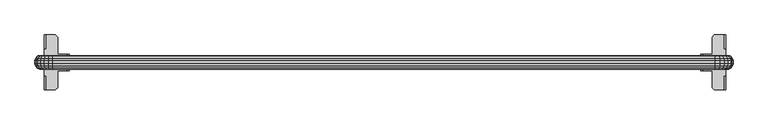
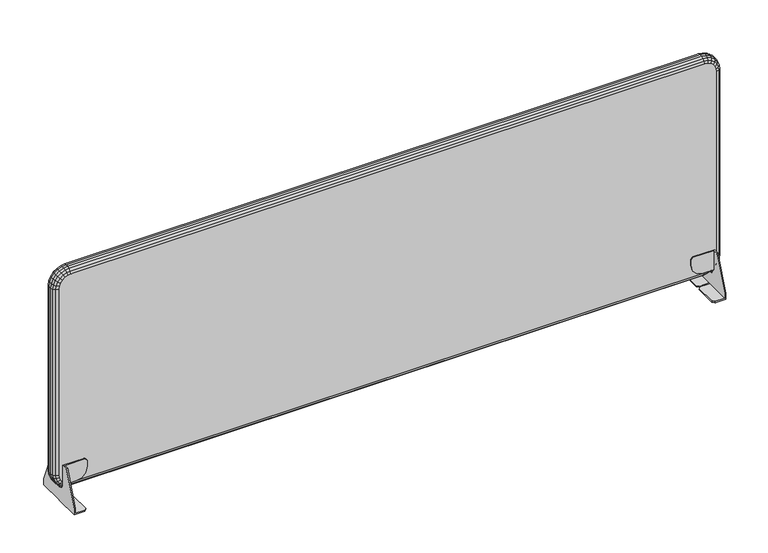
"""IFC4 building model written with IfcOpenShell, lengths in millimetres: furniture geometry."""

from ifc_helpers import new_model, si_unit, origin, place, context, project, spatial, triangles, source, transform, mapped, element, save


def furniture_25cc3b98(model_context):
    return source(origin(), model_context, "Body", "Tessellation", [
        triangles([(2309.343133, 2306.6081841, 625.0000048), (2309.343133, 2306.6081841, 575.0000044), (2309.343133, 2320.608129, 625.0000048), (2309.343133, 2352.608138, 544.9999824), (2309.343133, 2305.1341462, 569.5000131), (2309.343133, 2352.608138, 529.9999895), (2309.343133, 2292.6081666, 529.9999895), (2309.343133, 2301.1081565, 565.473987), (2309.343133, 2295.6081288, 563.9999854), (2309.343133, 2292.6081666, 563.9999854), (2306.3431707, 2306.6081841, 575.0000044), (2306.3431707, 2305.1341462, 569.5000131), (2306.3431707, 2301.1081565, 565.473987), (2306.3431707, 2292.6442109, 563.9999854), (2306.3431707, 2292.6081666, 532.9999881), (2284.3431328, 2292.6081666, 529.9999895), (2284.3431328, 2292.6081666, 532.9999881), (2306.3431707, 2306.6081841, 578.000003), (2280.3431589, 2306.6081841, 578.000003), (2266.8431835, 2306.6081841, 581.617006), (2256.9601385, 2306.6081841, 591.5000147), (2253.3431354, 2306.6081841, 604.9999901), (2258.3431936, 2306.6081841, 625.0000048), (2253.3431354, 2306.6081841, 620.0000193), (2306.3431707, 2309.6081464, 625.0000048), (2306.3431707, 2320.608129, 625.0000048), (2306.3431707, 2309.6081464, 578.000003), (2306.3431707, 2352.608138, 544.9999824), (2306.3431707, 2352.608138, 532.9999881), (2280.3431589, 2309.6081464, 578.000003), (2266.8431835, 2309.6081464, 581.617006), (2256.9601385, 2309.6081464, 591.5000147), (2253.3431354, 2309.6081464, 604.9999901), (2258.3431936, 2309.6081464, 625.0000048), (2253.3431354, 2309.6081464, 620.0000193), (2284.3431328, 2352.608138, 529.9999895), (2284.3431328, 2352.608138, 532.9999881), (2279.3431473, 2347.6081525, 529.9999895), (2279.3431473, 2297.6081521, 529.9999895), (2279.3431473, 2297.6081521, 532.9999881), (2279.3431473, 2347.6081525, 532.9999881), (2309.343133, 2261.6081692, 625.0000048), (2309.343133, 2275.6081868, 575.0000044), (2309.343133, 2275.6081868, 625.0000048), (2309.343133, 2229.6080876, 544.9999824), (2309.343133, 2277.0820794, 569.5000131), (2309.343133, 2229.6080876, 529.9999895), (2309.343133, 2289.6082043, 529.9999895), (2309.343133, 2281.1081418, 565.473987), (2309.343133, 2286.6080968, 563.9999854), (2309.343133, 2289.6082043, 563.9999854), (2306.3431707, 2275.6081868, 575.0000044), (2306.3431707, 2277.0820794, 569.5000131), (2306.3431707, 2281.1081418, 565.473987), (2306.3431707, 2289.57216, 563.9999854), (2306.3431707, 2289.6082043, 532.9999881), (2284.3431328, 2289.6082043, 529.9999895), (2284.3431328, 2289.6082043, 532.9999881), (2306.3431707, 2275.6081868, 578.000003), (2280.3431589, 2275.6081868, 578.000003), (2266.8431835, 2275.6081868, 581.617006), (2256.9601385, 2275.6081868, 591.5000147), (2253.3431354, 2275.6081868, 604.9999901), (2258.3431936, 2275.6081868, 625.0000048), (2253.3431354, 2275.6081868, 620.0000193), (2306.3431707, 2272.6082246, 578.000003), (2306.3431707, 2261.6081692, 625.0000048), (2306.3431707, 2272.6082246, 625.0000048), (2306.3431707, 2229.6080876, 544.9999824), (2306.3431707, 2229.6080876, 532.9999881), (2280.3431589, 2272.6082246, 578.000003), (2266.8431835, 2272.6082246, 581.617006), (2256.9601385, 2272.6082246, 591.5000147), (2253.3431354, 2272.6082246, 604.9999901), (2258.3431936, 2272.6082246, 625.0000048), (2253.3431354, 2272.6082246, 620.0000193), (2284.3431328, 2229.6080876, 529.9999895), (2284.3431328, 2229.6080876, 532.9999881), (2279.3431473, 2234.6082185, 529.9999895), (2279.3431473, 2284.6082188, 529.9999895), (2279.3431473, 2284.6082188, 532.9999881), (2279.3431473, 2234.6082185, 532.9999881), (782.3431707, 2320.608129, 625.0000048), (782.3431707, 2306.6081841, 575.0000044), (782.3431707, 2306.6081841, 625.0000048), (782.3431707, 2352.608138, 544.9999824), (782.3431707, 2305.1341462, 569.5000131), (782.3431707, 2352.608138, 529.9999895), (782.3431707, 2292.6081666, 529.9999895), (782.3431707, 2301.1081565, 565.473987), (782.3431707, 2295.6081288, 563.9999854), (782.3431707, 2292.6081666, 563.9999854), (785.343133, 2306.6081841, 575.0000044), (785.343133, 2305.1341462, 569.5000131), (785.343133, 2301.1081565, 565.473987), (785.343133, 2292.6442109, 563.9999854), (785.343133, 2292.6081666, 532.9999881), (807.3431709, 2292.6081666, 529.9999895), (807.3431709, 2292.6081666, 532.9999881), (785.343133, 2306.6081841, 578.000003), (811.3431448, 2306.6081841, 578.000003), (824.8431928, 2306.6081841, 581.617006), (834.7261652, 2306.6081841, 591.5000147), (838.3431682, 2306.6081841, 604.9999901), (833.3431827, 2306.6081841, 625.0000048), (838.3431682, 2306.6081841, 620.0000193), (785.343133, 2309.6081464, 578.000003), (785.343133, 2320.608129, 625.0000048), (785.343133, 2309.6081464, 625.0000048), (785.343133, 2352.608138, 544.9999824), (785.343133, 2352.608138, 532.9999881), (811.3431448, 2309.6081464, 578.000003), (824.8431928, 2309.6081464, 581.617006), (834.7261652, 2309.6081464, 591.5000147), (838.3431682, 2309.6081464, 604.9999901), (833.3431827, 2309.6081464, 625.0000048), (838.3431682, 2309.6081464, 620.0000193), (807.3431709, 2352.608138, 529.9999895), (807.3431709, 2352.608138, 532.9999881), (812.3431564, 2347.6081525, 529.9999895), (812.3431564, 2297.6081521, 529.9999895), (812.3431564, 2297.6081521, 532.9999881), (812.3431564, 2347.6081525, 532.9999881), (782.3431707, 2275.6081868, 625.0000048), (782.3431707, 2275.6081868, 575.0000044), (782.3431707, 2261.6081692, 625.0000048), (782.3431707, 2229.6080876, 544.9999824), (782.3431707, 2277.0820794, 569.5000131), (782.3431707, 2229.6080876, 529.9999895), (782.3431707, 2289.6082043, 529.9999895), (782.3431707, 2281.1081418, 565.473987), (782.3431707, 2286.6080968, 563.9999854), (782.3431707, 2289.6082043, 563.9999854), (785.343133, 2275.6081868, 575.0000044), (785.343133, 2277.0820794, 569.5000131), (785.343133, 2281.1081418, 565.473987), (785.343133, 2286.6080968, 563.9999854), (785.343133, 2289.6082043, 563.9999854), (785.343133, 2289.6082043, 532.9999881), (807.3431709, 2289.6082043, 529.9999895), (807.3431709, 2289.6082043, 532.9999881), (785.343133, 2275.6081868, 578.000003), (811.3431448, 2275.6081868, 578.000003), (824.8431928, 2275.6081868, 581.617006), (834.7261652, 2275.6081868, 591.5000147), (838.3431682, 2275.6081868, 604.9999901), (833.3431827, 2275.6081868, 625.0000048), (838.3431682, 2275.6081868, 620.0000193), (785.343133, 2272.6082246, 625.0000048), (785.343133, 2261.6081692, 625.0000048), (785.343133, 2272.6082246, 578.000003), (785.343133, 2229.6080876, 544.9999824), (785.343133, 2229.6080876, 532.9999881), (811.3431448, 2272.6082246, 578.000003), (824.8431928, 2272.6082246, 581.617006), (834.7261652, 2272.6082246, 591.5000147), (838.3431682, 2272.6082246, 604.9999901), (833.3431827, 2272.6082246, 625.0000048), (838.3431682, 2272.6082246, 620.0000193), (807.3431709, 2229.6080876, 529.9999895), (807.3431709, 2229.6080876, 532.9999881), (812.3431564, 2234.6082185, 529.9999895), (812.3431564, 2284.6082188, 529.9999895), (812.3431564, 2284.6082188, 532.9999881), (812.3431564, 2234.6082185, 532.9999881)], [[1, 2, 3], [3, 2, 4], [4, 2, 5], [6, 4, 5], [6, 5, 7], [7, 5, 8], [7, 8, 9], [9, 10, 7], [2, 11, 5], [5, 11, 12], [5, 12, 8], [8, 12, 13], [8, 13, 9], [14, 9, 13], [10, 9, 14], [14, 15, 10], [10, 15, 7], [7, 15, 16], [16, 15, 17], [11, 2, 18], [1, 18, 2], [19, 18, 1], [20, 19, 1], [20, 1, 21], [21, 1, 22], [22, 1, 23], [22, 23, 24], [25, 26, 27], [28, 27, 26], [27, 28, 12], [12, 28, 29], [12, 29, 15], [15, 14, 13], [15, 13, 12], [12, 11, 27], [27, 11, 18], [27, 30, 25], [25, 30, 31], [25, 31, 32], [32, 33, 25], [25, 33, 34], [34, 33, 35], [28, 4, 29], [6, 29, 4], [36, 29, 6], [36, 37, 29], [6, 7, 36], [36, 7, 16], [36, 16, 38], [38, 16, 39], [15, 29, 17], [17, 29, 37], [17, 37, 40], [40, 37, 41], [34, 35, 23], [23, 35, 24], [35, 33, 24], [24, 33, 22], [34, 23, 25], [1, 25, 23], [3, 25, 1], [3, 26, 25], [16, 17, 39], [39, 17, 40], [40, 41, 39], [39, 41, 38], [38, 41, 36], [36, 41, 37], [3, 4, 26], [26, 4, 28], [18, 19, 27], [27, 19, 30], [22, 33, 21], [21, 33, 32], [21, 32, 20], [20, 32, 31], [20, 31, 19], [19, 31, 30], [42, 43, 44], [45, 43, 42], [45, 46, 43], [47, 46, 45], [48, 46, 47], [48, 49, 46], [48, 50, 49], [48, 51, 50], [46, 52, 43], [53, 52, 46], [49, 53, 46], [54, 53, 49], [50, 54, 49], [55, 54, 50], [55, 50, 51], [51, 56, 55], [48, 56, 51], [57, 56, 48], [58, 56, 57], [59, 43, 52], [44, 43, 59], [60, 44, 59], [61, 44, 60], [62, 44, 61], [62, 63, 44], [63, 64, 44], [63, 65, 64], [66, 67, 68], [69, 67, 66], [53, 69, 66], [70, 69, 53], [56, 70, 53], [54, 55, 56], [53, 54, 56], [66, 52, 53], [59, 52, 66], [68, 71, 66], [72, 71, 68], [73, 72, 68], [68, 74, 73], [68, 75, 74], [75, 76, 74], [70, 45, 69], [47, 45, 70], [77, 47, 70], [70, 78, 77], [77, 48, 47], [57, 48, 77], [77, 79, 57], [79, 80, 57], [58, 70, 56], [78, 70, 58], [58, 81, 78], [81, 82, 78], [64, 76, 75], [65, 76, 64], [65, 74, 76], [63, 74, 65], [68, 64, 75], [44, 64, 68], [42, 44, 68], [68, 67, 42], [80, 58, 57], [81, 58, 80], [80, 82, 81], [79, 82, 80], [77, 82, 79], [78, 82, 77], [67, 45, 42], [69, 45, 67], [66, 60, 59], [71, 60, 66], [62, 74, 63], [73, 74, 62], [61, 73, 62], [72, 73, 61], [60, 72, 61], [71, 72, 60], [83, 84, 85], [86, 84, 83], [86, 87, 84], [88, 87, 86], [89, 87, 88], [89, 90, 87], [89, 91, 90], [89, 92, 91], [87, 93, 84], [94, 93, 87], [90, 94, 87], [95, 94, 90], [91, 95, 90], [96, 95, 91], [96, 91, 92], [92, 97, 96], [89, 97, 92], [98, 97, 89], [99, 97, 98], [100, 84, 93], [85, 84, 100], [101, 85, 100], [102, 85, 101], [103, 85, 102], [103, 104, 85], [104, 105, 85], [104, 106, 105], [107, 108, 109], [110, 108, 107], [94, 110, 107], [111, 110, 94], [97, 111, 94], [95, 96, 97], [94, 95, 97], [107, 93, 94], [100, 93, 107], [109, 112, 107], [113, 112, 109], [114, 113, 109], [109, 115, 114], [109, 116, 115], [116, 117, 115], [111, 86, 110], [88, 86, 111], [118, 88, 111], [111, 119, 118], [118, 89, 88], [98, 89, 118], [118, 120, 98], [120, 121, 98], [99, 111, 97], [119, 111, 99], [99, 122, 119], [122, 123, 119], [105, 117, 116], [106, 117, 105], [106, 115, 117], [104, 115, 106], [109, 105, 116], [85, 105, 109], [83, 85, 109], [109, 108, 83], [121, 99, 98], [122, 99, 121], [121, 123, 122], [120, 123, 121], [118, 123, 120], [119, 123, 118], [108, 86, 83], [110, 86, 108], [107, 101, 100], [112, 101, 107], [103, 115, 104], [114, 115, 103], [102, 114, 103], [113, 114, 102], [101, 113, 102], [112, 113, 101], [124, 125, 126], [126, 125, 127], [127, 125, 128], [129, 127, 128], [129, 128, 130], [130, 128, 131], [130, 131, 132], [132, 133, 130], [125, 134, 128], [128, 134, 135], [128, 135, 131], [131, 135, 136], [131, 136, 132], [132, 136, 137], [133, 132, 138], [138, 132, 137], [138, 139, 133], [133, 139, 130], [130, 139, 140], [140, 139, 141], [134, 125, 142], [124, 142, 125], [143, 142, 124], [144, 143, 124], [144, 124, 145], [145, 124, 146], [146, 124, 147], [146, 147, 148], [149, 150, 151], [152, 151, 150], [151, 152, 135], [135, 152, 153], [135, 153, 139], [138, 137, 139], [139, 137, 136], [139, 136, 135], [135, 134, 151], [151, 134, 142], [151, 154, 149], [149, 154, 155], [149, 155, 156], [156, 157, 149], [149, 157, 158], [158, 157, 159], [152, 127, 153], [129, 153, 127], [160, 153, 129], [160, 161, 153], [129, 130, 160], [160, 130, 140], [160, 140, 162], [162, 140, 163], [139, 153, 141], [141, 153, 161], [141, 161, 164], [164, 161, 165], [158, 159, 147], [147, 159, 148], [159, 157, 148], [148, 157, 146], [158, 147, 149], [124, 149, 147], [126, 149, 124], [126, 150, 149], [140, 141, 163], [163, 141, 164], [164, 165, 163], [163, 165, 162], [162, 165, 160], [160, 165, 161], [126, 127, 150], [150, 127, 152], [142, 143, 151], [151, 143, 154], [146, 157, 145], [145, 157, 156], [145, 156, 144], [144, 156, 155], [144, 155, 143], [143, 155, 154]]),
        triangles([(2320.593173, 2304.567175, 604.0000148), (2324.8021457, 2300.3581296, 604.0000148), (2319.4261658, 2304.567175, 595.1350036), (2323.492124, 2300.3581296, 594.0460075), (2316.0041363, 2304.567175, 586.8750063), (2319.6501346, 2300.3581296, 584.7700112), (2310.5611545, 2304.567175, 579.7820163), (2313.5381531, 2300.3581296, 576.8050178), (2303.4681282, 2304.567175, 574.3389982), (2305.5731596, 2300.3581296, 570.6929998), (2295.2081672, 2304.567175, 570.9170051), (2296.2971269, 2300.3581296, 566.8510105), (2286.343156, 2304.567175, 569.7499978), (2286.343156, 2300.3581296, 565.5409887), (2314.8431606, 2306.108142, 604.0000148), (2313.8721443, 2306.108142, 596.6240115), (2311.0251524, 2306.108142, 589.7500125), (2306.496141, 2306.108142, 583.8469934), (2300.5931583, 2306.108142, 579.3179821), (2293.7191593, 2306.108142, 576.4709902), (2286.343156, 2306.108142, 575.5000102), (2320.593173, 2277.6491959, 604.0000148), (2314.8431606, 2276.1081563, 604.0000148), (2319.4261658, 2277.6491959, 595.1350036), (2313.8721443, 2276.1081563, 596.6240115), (2316.0041363, 2277.6491959, 586.8750063), (2311.0251524, 2276.1081563, 589.7500125), (2310.5611545, 2277.6491959, 579.7820163), (2306.496141, 2276.1081563, 583.8469934), (2303.4681282, 2277.6491959, 574.3389982), (2300.5931583, 2276.1081563, 579.3179821), (2295.2081672, 2277.6491959, 570.9170051), (2293.7191593, 2276.1081563, 576.4709902), (2286.343156, 2277.6491959, 569.7499978), (2286.343156, 2276.1081563, 575.5000102), (2324.8021457, 2281.858096, 604.0000148), (2323.492124, 2281.858096, 594.0460075), (2319.6501346, 2281.858096, 584.7700112), (2313.5381531, 2281.858096, 576.8050178), (2305.5731596, 2281.858096, 570.6929998), (2296.2971269, 2281.858096, 566.8510105), (2286.343156, 2281.858096, 565.5409887), (2326.3431854, 2287.6081811, 604.0000148), (2324.9801872, 2287.6081811, 593.647013), (2320.9841375, 2287.6081811, 584.0000001), (2314.6271854, 2287.6081811, 575.7159854), (2306.3431707, 2287.6081811, 569.358997), (2296.6961578, 2287.6081811, 565.3629836), (2286.343156, 2287.6081811, 563.9999854), (2326.3431854, 2294.6081898, 604.0000148), (2324.9801872, 2294.6081898, 593.647013), (2320.9841375, 2294.6081898, 584.0000001), (2314.6271854, 2294.6081898, 575.7159854), (2306.3431707, 2294.6081898, 569.358997), (2296.6961578, 2294.6081898, 565.3629836), (2286.343156, 2294.6081898, 563.9999854), (2320.593173, 2304.567175, 1064.0000256), (2324.8021457, 2300.3581296, 1064.0000256), (2314.8431606, 2306.108142, 1064.0000256), (2320.593173, 2277.6491959, 1064.0000256), (2314.8431606, 2276.1081563, 1064.0000256), (2324.8021457, 2281.858096, 1064.0000256), (2326.3431854, 2287.6081811, 1064.0000256), (2326.3431854, 2294.6081898, 1064.0000256), (2286.343156, 2304.567175, 1098.2499699), (2286.343156, 2300.3581296, 1102.4590153), (2295.2081672, 2304.567175, 1097.0830353), (2296.2971269, 2300.3581296, 1101.1489935), (2303.4681282, 2304.567175, 1093.6610058), (2305.5731596, 2300.3581296, 1097.3070042), (2310.5611545, 2304.567175, 1088.2180241), (2313.5381531, 2300.3581296, 1091.1950226), (2316.0041363, 2304.567175, 1081.1249977), (2319.6501346, 2300.3581296, 1083.2300291), (2319.4261658, 2304.567175, 1072.8649641), (2323.492124, 2300.3581296, 1073.9539965), (2286.343156, 2306.108142, 1092.5000301), (2293.7191593, 2306.108142, 1091.5290138), (2300.5931583, 2306.108142, 1088.6820219), (2306.496141, 2306.108142, 1084.1530106), (2311.0251524, 2306.108142, 1078.2500278), (2313.8721443, 2306.108142, 1071.3760288), (2286.343156, 2277.6491959, 1098.2499699), (2286.343156, 2276.1081563, 1092.5000301), (2295.2081672, 2277.6491959, 1097.0830353), (2293.7191593, 2276.1081563, 1091.5290138), (2303.4681282, 2277.6491959, 1093.6610058), (2300.5931583, 2276.1081563, 1088.6820219), (2310.5611545, 2277.6491959, 1088.2180241), (2306.496141, 2276.1081563, 1084.1530106), (2316.0041363, 2277.6491959, 1081.1249977), (2311.0251524, 2276.1081563, 1078.2500278), (2319.4261658, 2277.6491959, 1072.8649641), (2313.8721443, 2276.1081563, 1071.3760288), (2286.343156, 2281.858096, 1102.4590153), (2296.2971269, 2281.858096, 1101.1489935), (2305.5731596, 2281.858096, 1097.3070042), (2313.5381531, 2281.858096, 1091.1950226), (2319.6501346, 2281.858096, 1083.2300291), (2323.492124, 2281.858096, 1073.9539965), (2286.343156, 2287.6081811, 1103.9999823), (2296.6961578, 2287.6081811, 1102.6369841), (2306.3431707, 2287.6081811, 1098.641007), (2314.6271854, 2287.6081811, 1092.2839823), (2320.9841375, 2287.6081811, 1083.9999676), (2324.9801872, 2287.6081811, 1074.3530273), (2286.343156, 2294.6081898, 1103.9999823), (2296.6961578, 2294.6081898, 1102.6369841), (2306.3431707, 2294.6081898, 1098.641007), (2314.6271854, 2294.6081898, 1092.2839823), (2320.9841375, 2294.6081898, 1083.9999676), (2324.9801872, 2294.6081898, 1074.3530273), (801.3431738, 2304.567175, 1098.2499699), (801.3431738, 2300.3581296, 1102.4590153), (801.3431738, 2306.108142, 1092.5000301), (801.3431738, 2277.6491959, 1098.2499699), (801.3431738, 2276.1081563, 1092.5000301), (801.3431738, 2281.858096, 1102.4590153), (801.3431738, 2287.6081811, 1103.9999823), (801.3431738, 2294.6081898, 1103.9999823), (767.0931568, 2304.567175, 1064.0000256), (762.8841841, 2300.3581296, 1064.0000256), (768.2601641, 2304.567175, 1072.8649641), (764.1941332, 2300.3581296, 1073.9539965), (771.6821935, 2304.567175, 1081.1249977), (768.0361225, 2300.3581296, 1083.2300291), (777.1251753, 2304.567175, 1088.2180241), (774.1481767, 2300.3581296, 1091.1950226), (784.2181289, 2304.567175, 1093.6610058), (782.1131702, 2300.3581296, 1097.3070042), (792.4781626, 2304.567175, 1097.0830353), (791.3891302, 2300.3581296, 1101.1489935), (772.8431692, 2306.108142, 1064.0000256), (773.8141855, 2306.108142, 1071.3760288), (776.6611774, 2306.108142, 1078.2500278), (781.1901888, 2306.108142, 1084.1530106), (787.0931715, 2306.108142, 1088.6820219), (793.9671705, 2306.108142, 1091.5290138), (767.0931568, 2277.6491959, 1064.0000256), (772.8431692, 2276.1081563, 1064.0000256), (768.2601641, 2277.6491959, 1072.8649641), (773.8141855, 2276.1081563, 1071.3760288), (771.6821935, 2277.6491959, 1081.1249977), (776.6611774, 2276.1081563, 1078.2500278), (777.1251753, 2277.6491959, 1088.2180241), (781.1901888, 2276.1081563, 1084.1530106), (784.2181289, 2277.6491959, 1093.6610058), (787.0931715, 2276.1081563, 1088.6820219), (792.4781626, 2277.6491959, 1097.0830353), (793.9671705, 2276.1081563, 1091.5290138), (762.8841841, 2281.858096, 1064.0000256), (764.1941332, 2281.858096, 1073.9539965), (768.0361225, 2281.858096, 1083.2300291), (774.1481767, 2281.858096, 1091.1950226), (782.1131702, 2281.858096, 1097.3070042), (791.3891302, 2281.858096, 1101.1489935), (761.3431444, 2287.6081811, 1064.0000256), (762.7061426, 2287.6081811, 1074.3530273), (766.7021923, 2287.6081811, 1083.9999676), (773.0591444, 2287.6081811, 1092.2839823), (781.3431591, 2287.6081811, 1098.641007), (790.990172, 2287.6081811, 1102.6369841), (761.3431444, 2294.6081898, 1064.0000256), (762.7061426, 2294.6081898, 1074.3530273), (766.7021923, 2294.6081898, 1083.9999676), (773.0591444, 2294.6081898, 1092.2839823), (781.3431591, 2294.6081898, 1098.641007), (790.990172, 2294.6081898, 1102.6369841), (767.0931568, 2304.567175, 604.0000148), (762.8841841, 2300.3581296, 604.0000148), (772.8431692, 2306.108142, 604.0000148), (767.0931568, 2277.6491959, 604.0000148), (772.8431692, 2276.1081563, 604.0000148), (762.8841841, 2281.858096, 604.0000148), (761.3431444, 2287.6081811, 604.0000148), (761.3431444, 2294.6081898, 604.0000148), (801.3431738, 2304.567175, 569.7499978), (801.3431738, 2300.3581296, 565.5409887), (792.4781626, 2304.567175, 570.9170051), (791.3891302, 2300.3581296, 566.8510105), (784.2181289, 2304.567175, 574.3389982), (782.1131702, 2300.3581296, 570.6929998), (777.1251753, 2304.567175, 579.7820163), (774.1481767, 2300.3581296, 576.8050178), (771.6821935, 2304.567175, 586.8750063), (768.0361225, 2300.3581296, 584.7700112), (768.2601641, 2304.567175, 595.1350036), (764.1941332, 2300.3581296, 594.0460075), (801.3431738, 2306.108142, 575.5000102), (793.9671705, 2306.108142, 576.4709902), (787.0931715, 2306.108142, 579.3179821), (781.1901888, 2306.108142, 583.8469934), (776.6611774, 2306.108142, 589.7500125), (773.8141855, 2306.108142, 596.6240115), (801.3431738, 2277.6491959, 569.7499978), (801.3431738, 2276.1081563, 575.5000102), (792.4781626, 2277.6491959, 570.9170051), (793.9671705, 2276.1081563, 576.4709902), (784.2181289, 2277.6491959, 574.3389982), (787.0931715, 2276.1081563, 579.3179821), (777.1251753, 2277.6491959, 579.7820163), (781.1901888, 2276.1081563, 583.8469934), (771.6821935, 2277.6491959, 586.8750063), (776.6611774, 2276.1081563, 589.7500125), (768.2601641, 2277.6491959, 595.1350036), (773.8141855, 2276.1081563, 596.6240115), (801.3431738, 2281.858096, 565.5409887), (791.3891302, 2281.858096, 566.8510105), (782.1131702, 2281.858096, 570.6929998), (774.1481767, 2281.858096, 576.8050178), (768.0361225, 2281.858096, 584.7700112), (764.1941332, 2281.858096, 594.0460075), (801.3431738, 2287.6081811, 563.9999854), (790.990172, 2287.6081811, 565.3629836), (781.3431591, 2287.6081811, 569.358997), (773.0591444, 2287.6081811, 575.7159854), (766.7021923, 2287.6081811, 584.0000001), (762.7061426, 2287.6081811, 593.647013), (801.3431738, 2294.6081898, 563.9999854), (790.990172, 2294.6081898, 565.3629836), (781.3431591, 2294.6081898, 569.358997), (773.0591444, 2294.6081898, 575.7159854), (766.7021923, 2294.6081898, 584.0000001), (762.7061426, 2294.6081898, 593.647013)], [[3, 1, 2], [3, 2, 4], [5, 3, 4], [5, 4, 6], [7, 5, 6], [7, 6, 8], [9, 7, 8], [9, 8, 10], [11, 9, 10], [11, 10, 12], [13, 11, 12], [13, 12, 14], [16, 15, 1], [16, 1, 3], [17, 16, 3], [17, 3, 5], [18, 17, 5], [18, 5, 7], [19, 18, 7], [19, 7, 9], [20, 19, 9], [20, 9, 11], [21, 20, 11], [21, 11, 13], [22, 23, 24], [24, 23, 25], [24, 25, 26], [26, 25, 27], [26, 27, 28], [28, 27, 29], [28, 29, 30], [30, 29, 31], [30, 31, 32], [32, 31, 33], [32, 33, 34], [34, 33, 35], [36, 22, 37], [37, 22, 24], [37, 24, 38], [38, 24, 26], [38, 26, 39], [39, 26, 28], [39, 28, 40], [40, 28, 30], [40, 30, 41], [41, 30, 32], [41, 32, 42], [42, 32, 34], [43, 36, 44], [44, 36, 37], [44, 37, 45], [45, 37, 38], [45, 38, 46], [46, 38, 39], [46, 39, 47], [47, 39, 40], [47, 40, 48], [48, 40, 41], [48, 41, 49], [49, 41, 42], [50, 43, 51], [51, 43, 44], [51, 44, 52], [52, 44, 45], [52, 45, 53], [53, 45, 46], [53, 46, 54], [54, 46, 47], [54, 47, 55], [55, 47, 48], [55, 48, 56], [56, 48, 49], [4, 2, 50], [4, 50, 51], [6, 4, 51], [6, 51, 52], [8, 6, 52], [8, 52, 53], [10, 8, 53], [10, 53, 54], [12, 10, 54], [12, 54, 55], [14, 12, 55], [14, 55, 56], [57, 58, 1], [1, 58, 2], [59, 57, 15], [15, 57, 1], [60, 61, 22], [22, 61, 23], [62, 60, 36], [36, 60, 22], [63, 62, 43], [43, 62, 36], [64, 63, 50], [50, 63, 43], [58, 64, 2], [2, 64, 50], [67, 65, 66], [67, 66, 68], [69, 67, 68], [69, 68, 70], [71, 69, 70], [71, 70, 72], [73, 71, 72], [73, 72, 74], [75, 73, 74], [75, 74, 76], [57, 75, 76], [57, 76, 58], [78, 77, 65], [78, 65, 67], [79, 78, 67], [79, 67, 69], [80, 79, 69], [80, 69, 71], [81, 80, 71], [81, 71, 73], [82, 81, 73], [82, 73, 75], [59, 82, 75], [59, 75, 57], [83, 84, 85], [85, 84, 86], [85, 86, 87], [87, 86, 88], [87, 88, 89], [89, 88, 90], [89, 90, 91], [91, 90, 92], [91, 92, 93], [93, 92, 94], [93, 94, 60], [60, 94, 61], [95, 83, 96], [96, 83, 85], [96, 85, 97], [97, 85, 87], [97, 87, 98], [98, 87, 89], [98, 89, 99], [99, 89, 91], [99, 91, 100], [100, 91, 93], [100, 93, 62], [62, 93, 60], [101, 95, 102], [102, 95, 96], [102, 96, 103], [103, 96, 97], [103, 97, 104], [104, 97, 98], [104, 98, 105], [105, 98, 99], [105, 99, 106], [106, 99, 100], [106, 100, 63], [63, 100, 62], [107, 101, 108], [108, 101, 102], [108, 102, 109], [109, 102, 103], [109, 103, 110], [110, 103, 104], [110, 104, 111], [111, 104, 105], [111, 105, 112], [112, 105, 106], [112, 106, 64], [64, 106, 63], [68, 66, 107], [68, 107, 108], [70, 68, 108], [70, 108, 109], [72, 70, 109], [72, 109, 110], [74, 72, 110], [74, 110, 111], [76, 74, 111], [76, 111, 112], [58, 76, 112], [58, 112, 64], [113, 114, 65], [65, 114, 66], [115, 113, 77], [77, 113, 65], [116, 117, 83], [83, 117, 84], [118, 116, 95], [95, 116, 83], [119, 118, 101], [101, 118, 95], [120, 119, 107], [107, 119, 101], [114, 120, 66], [66, 120, 107], [123, 121, 122], [123, 122, 124], [125, 123, 124], [125, 124, 126], [127, 125, 126], [127, 126, 128], [129, 127, 128], [129, 128, 130], [131, 129, 130], [131, 130, 132], [113, 131, 132], [113, 132, 114], [134, 133, 121], [134, 121, 123], [135, 134, 123], [135, 123, 125], [136, 135, 125], [136, 125, 127], [137, 136, 127], [137, 127, 129], [138, 137, 129], [138, 129, 131], [115, 138, 131], [115, 131, 113], [139, 140, 141], [141, 140, 142], [141, 142, 143], [143, 142, 144], [143, 144, 145], [145, 144, 146], [145, 146, 147], [147, 146, 148], [147, 148, 149], [149, 148, 150], [149, 150, 116], [116, 150, 117], [151, 139, 152], [152, 139, 141], [152, 141, 153], [153, 141, 143], [153, 143, 154], [154, 143, 145], [154, 145, 155], [155, 145, 147], [155, 147, 156], [156, 147, 149], [156, 149, 118], [118, 149, 116], [157, 151, 158], [158, 151, 152], [158, 152, 159], [159, 152, 153], [159, 153, 160], [160, 153, 154], [160, 154, 161], [161, 154, 155], [161, 155, 162], [162, 155, 156], [162, 156, 119], [119, 156, 118], [163, 157, 164], [164, 157, 158], [164, 158, 165], [165, 158, 159], [165, 159, 166], [166, 159, 160], [166, 160, 167], [167, 160, 161], [167, 161, 168], [168, 161, 162], [168, 162, 120], [120, 162, 119], [124, 122, 163], [124, 163, 164], [126, 124, 164], [126, 164, 165], [128, 126, 165], [128, 165, 166], [130, 128, 166], [130, 166, 167], [132, 130, 167], [132, 167, 168], [114, 132, 168], [114, 168, 120], [169, 170, 121], [121, 170, 122], [171, 169, 133], [133, 169, 121], [172, 173, 139], [139, 173, 140], [174, 172, 151], [151, 172, 139], [175, 174, 157], [157, 174, 151], [176, 175, 163], [163, 175, 157], [170, 176, 122], [122, 176, 163], [179, 177, 178], [179, 178, 180], [181, 179, 180], [181, 180, 182], [183, 181, 182], [183, 182, 184], [185, 183, 184], [185, 184, 186], [187, 185, 186], [187, 186, 188], [169, 187, 188], [169, 188, 170], [190, 189, 177], [190, 177, 179], [191, 190, 179], [191, 179, 181], [192, 191, 181], [192, 181, 183], [193, 192, 183], [193, 183, 185], [194, 193, 185], [194, 185, 187], [171, 194, 187], [171, 187, 169], [195, 196, 197], [197, 196, 198], [197, 198, 199], [199, 198, 200], [199, 200, 201], [201, 200, 202], [201, 202, 203], [203, 202, 204], [203, 204, 205], [205, 204, 206], [205, 206, 172], [172, 206, 173], [207, 195, 208], [208, 195, 197], [208, 197, 209], [209, 197, 199], [209, 199, 210], [210, 199, 201], [210, 201, 211], [211, 201, 203], [211, 203, 212], [212, 203, 205], [212, 205, 174], [174, 205, 172], [213, 207, 214], [214, 207, 208], [214, 208, 215], [215, 208, 209], [215, 209, 216], [216, 209, 210], [216, 210, 217], [217, 210, 211], [217, 211, 218], [218, 211, 212], [218, 212, 175], [175, 212, 174], [219, 213, 220], [220, 213, 214], [220, 214, 221], [221, 214, 215], [221, 215, 222], [222, 215, 216], [222, 216, 223], [223, 216, 217], [223, 217, 224], [224, 217, 218], [224, 218, 176], [176, 218, 175], [180, 178, 219], [180, 219, 220], [182, 180, 220], [182, 220, 221], [184, 182, 221], [184, 221, 222], [186, 184, 222], [186, 222, 223], [188, 186, 223], [188, 223, 224], [170, 188, 224], [170, 224, 176], [13, 14, 177], [177, 14, 178], [21, 13, 189], [189, 13, 177], [189, 115, 21], [21, 115, 77], [21, 77, 15], [15, 77, 59], [59, 77, 82], [82, 77, 81], [81, 77, 78], [81, 78, 79], [189, 190, 171], [189, 171, 133], [189, 133, 115], [115, 133, 138], [138, 133, 137], [137, 133, 136], [136, 133, 135], [135, 133, 134], [190, 191, 171], [171, 191, 192], [171, 192, 193], [193, 194, 171], [79, 80, 81], [15, 16, 21], [21, 16, 20], [20, 16, 19], [19, 16, 18], [18, 16, 17], [35, 33, 27], [35, 27, 25], [35, 25, 23], [33, 31, 27], [27, 31, 29], [35, 23, 61], [35, 61, 84], [35, 84, 196], [196, 84, 117], [196, 117, 173], [173, 117, 140], [140, 117, 150], [140, 150, 148], [61, 94, 84], [84, 94, 86], [86, 94, 88], [88, 94, 90], [90, 94, 92], [148, 146, 140], [140, 146, 144], [140, 144, 142], [173, 206, 204], [173, 204, 202], [173, 202, 200], [173, 200, 198], [173, 198, 196], [34, 35, 195], [195, 35, 196], [42, 34, 207], [207, 34, 195], [49, 42, 213], [213, 42, 207], [56, 49, 219], [219, 49, 213], [14, 56, 178], [178, 56, 219]]),
    ])


if __name__ == "__main__":
    model = new_model("IFC4")
    model_context = context("Model", 3, world=origin())
    ifc_project = project(units=[si_unit("LENGTHUNIT", "METRE", prefix="MILLI")], contexts=[model_context])
    site = spatial("IfcSite", under=ifc_project)
    building = spatial("IfcBuilding", under=site)
    placement = place(None, origin())
    furniture_shape = furniture_25cc3b98(model_context)
    element("IfcFurniture", 1, at=placement, inside=building, context=model_context, shape_type="MappedRepresentation", body=[
        mapped(furniture_shape, transform((0.0, 0.0, 0.0), x_axis=(1.0, 0.0, 0.0), y_axis=(0.0, 1.0, 0.0), z_axis=(0.0, 0.0, 1.0))),
    ])
    save(model, "model.ifc")
